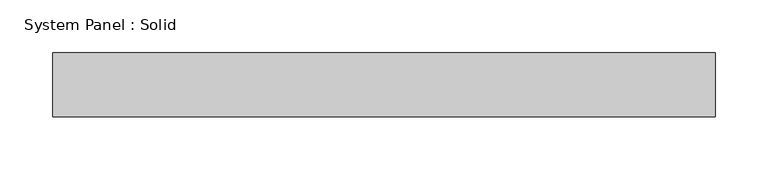
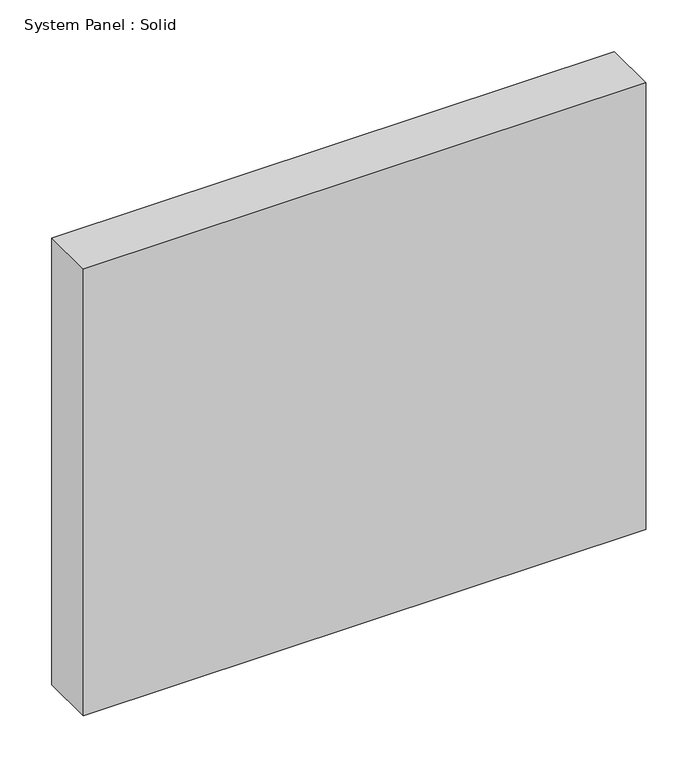
"""IFC4 building model written with IfcOpenShell, lengths in millimetres: plate geometry, System Panel : Solid."""

from ifc_helpers import new_model, si_unit, origin, origin_with_axes, place, context, project, spatial, polyline, outline, extrude, source, transform, mapped, element, save


def system_panel_solid_50bb775b(model_context):
    return source(origin(), model_context, "Body", "SweptSolid", [
        extrude(outline(polyline([(312.5, -49.5), (-312.5, -49.5), (-312.5, 10.5), (312.5, 10.5), (312.5, -49.5)])), origin_with_axes(), (0.0, 0.0, 1.0), 525.0),
    ])


if __name__ == "__main__":
    model = new_model("IFC4")
    model_context = context("Model", 3, world=origin())
    ifc_project = project(units=[si_unit("LENGTHUNIT", "METRE", prefix="MILLI")], contexts=[model_context])
    site = spatial("IfcSite", under=ifc_project)
    building = spatial("IfcBuilding", under=site)
    placement = place(None, origin())
    system_panel_solid_shape = system_panel_solid_50bb775b(model_context)
    element("IfcPlate", 1, ObjectType="System Panel : Solid", at=placement, inside=building, context=model_context, shape_type="MappedRepresentation", body=[
        mapped(system_panel_solid_shape, transform((0.0, 0.0, 0.0), x_axis=(1.0, 0.0, 0.0), y_axis=(0.0, 1.0, 0.0), z_axis=(0.0, 0.0, 1.0))),
    ])
    save(model, "model.ifc")
